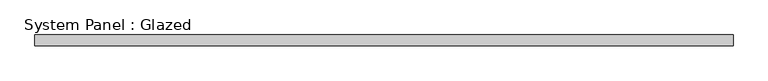
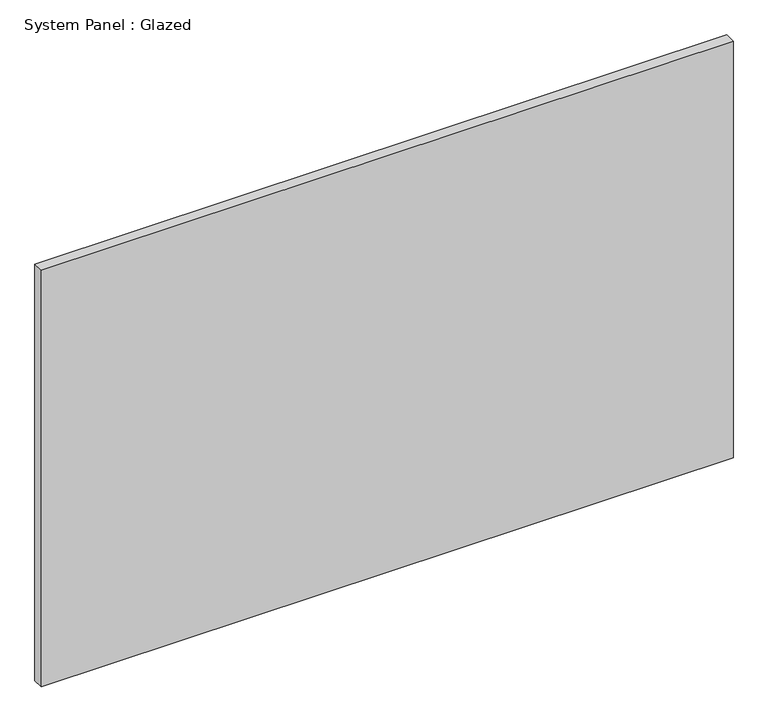
"""IFC4 building model written with IfcOpenShell, lengths in millimetres: plate geometry, System Panel : Glazed."""

from ifc_helpers import new_model, si_unit, origin, origin_with_axes, place, context, project, spatial, polyline, outline, extrude, source, transform, mapped, element, save


def system_panel_glazed_c2a54722(model_context):
    return source(origin(), model_context, "Body", "SweptSolid", [
        extrude(outline(polyline([(794.0628487, 24.5), (-794.0628487, 24.5), (-794.0628487, 49.5), (794.0628487, 49.5), (794.0628487, 24.5)])), origin_with_axes(), (0.0, 0.0, 1.0), 1010.85),
    ])


if __name__ == "__main__":
    model = new_model("IFC4")
    model_context = context("Model", 3, world=origin())
    ifc_project = project(units=[si_unit("LENGTHUNIT", "METRE", prefix="MILLI")], contexts=[model_context])
    site = spatial("IfcSite", under=ifc_project)
    building = spatial("IfcBuilding", under=site)
    placement = place(None, origin())
    system_panel_glazed_shape = system_panel_glazed_c2a54722(model_context)
    element("IfcPlate", 1, ObjectType="System Panel : Glazed", at=placement, inside=building, context=model_context, shape_type="MappedRepresentation", body=[
        mapped(system_panel_glazed_shape, transform((0.0, 0.0, 0.0), x_axis=(1.0, 0.0, 0.0), y_axis=(0.0, 1.0, 0.0), z_axis=(0.0, 0.0, 1.0))),
    ])
    save(model, "model.ifc")
